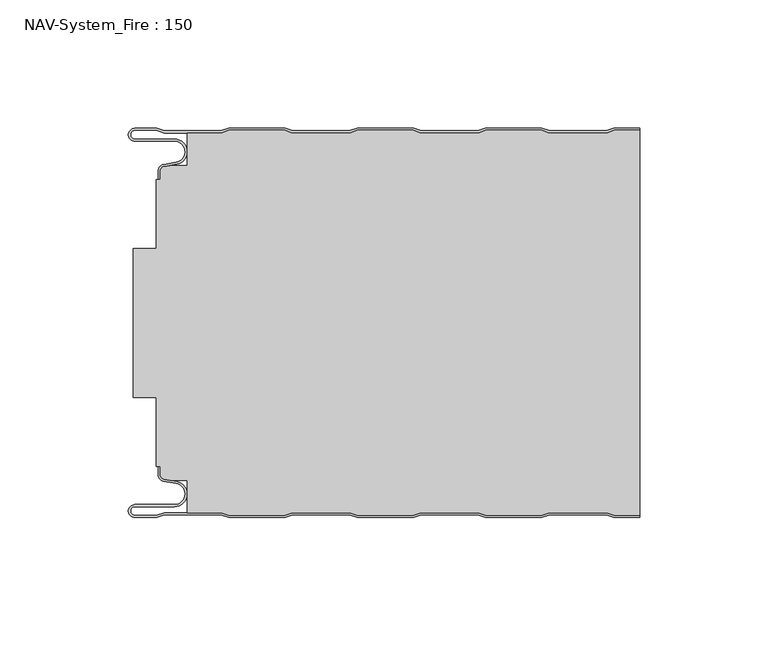
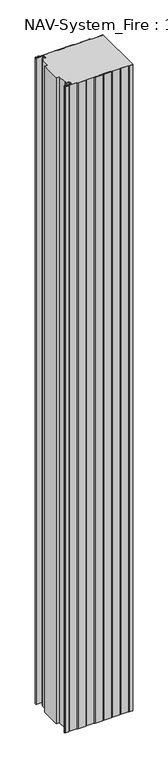
"""IFC4 building model written with IfcOpenShell, lengths in millimetres: plate geometry, NAV-System_Fire : 150."""

from ifc_helpers import new_model, si_unit, point, frame, frame_2d, origin, origin_with_axes, place, context, project, spatial, polyline, circle_curve, trimmed, segment, composite_curve, outline, extrude, source, transform, mapped, element, save
from ifc_brep_helpers import plane_surface, cylinder_surface, revolved_surface, advanced_brep


def nav_system_fire_150_abf183b4(model_context):
    return source(origin(), model_context, "Body", "SolidModel", [
        extrude(outline(composite_curve([segment(polyline([(89.6298221, -150.8), (86.6298221, -149.8), (64.3701779, -149.8), (61.3701779, -150.8), (39.6298221, -150.8), (36.6298221, -149.8), (14.3701779, -149.8), (11.3701779, -150.8), (-10.3701779, -150.8), (-13.3701779, -149.8), (-35.6298221, -149.8), (-38.6298221, -150.8), (-60.3701779, -150.8), (-63.3701779, -149.8), (-76.6602086, -149.8), (-76.6602086, -137.1656781), (-83.1774762, -137.1656781), (-85.6125665, -136.7363058)]), True, "CONTINUOUS"), segment(trimmed(circle_curve(frame_2d((-85.2999995, -134.963651)), 1.8000009), [point((-85.6125665, -136.7363058))], [point((-87.1000004, -134.963651))], False, "CARTESIAN"), True, "CONTINUOUS"), segment(polyline([(-87.1000004, -134.963651), (-87.1000004, -131.6488001), (-88.6500495, -131.6488001), (-88.6500495, -104.8), (-97.6527105, -104.8), (-97.6527105, -46.8), (-88.6502227, -46.8), (-88.6502227, -19.9512003), (-87.1000004, -19.9512003), (-87.1000004, -16.6387681)]), True, "CONTINUOUS"), segment(trimmed(circle_curve(frame_2d((-85.2999995, -16.6387681)), 1.8000009), [point((-87.1000004, -16.6387681))], [point((-85.6125665, -14.8661133))], False, "CARTESIAN"), True, "CONTINUOUS"), segment(polyline([(-85.6125665, -14.8661133), (-83.1774762, -14.436741), (-76.6602086, -14.436741), (-76.6602086, -1.8), (-63.3701779, -1.8), (-60.3701779, -0.8), (-38.6298221, -0.8), (-35.6298221, -1.8), (-13.3701779, -1.8), (-10.3701779, -0.8), (11.3701779, -0.8), (14.3701779, -1.8), (36.6298221, -1.8), (39.6298221, -0.8), (61.3701779, -0.8), (64.3701779, -1.8), (86.6298221, -1.8), (89.6298221, -0.8), (99.5, -0.8), (99.5, -150.8), (89.6298221, -150.8)]), True, "CONTINUOUS")], self_intersect=False)), origin_with_axes(), (0.0, 0.0, 1.0), 2000.0),
        advanced_brep(
        [(-88.6298221, -0.8, 0.0), (-97.0000001, -0.8, 0.0), (-97.0000001, -4.1999999, 0.0), (-81.6002086, -4.1999999, 0.0), (-80.7423864, -14.0049502, 0.0), (-85.6125665, -14.8636946, 0.0), (-87.1000004, -16.6363494, 0.0), (-87.1000014, -19.9421291, 0.0), (-87.9000014, -19.9421291, 0.0), (-87.9000014, -16.6363484, 0.0), (-85.7514853, -14.0758488, 0.0), (-80.8813015, -13.217104, 0.0), (-81.600205, -4.9999999, 0.0), (-97.0000001, -4.9999999, 0.0), (-97.0000001, 0.0, 0.0), (-88.5, 0.0, 0.0), (-85.5, -1.0, 0.0), (-63.5, -1.0, 0.0), (-60.5, 0.0, 0.0), (-38.5, 0.0, 0.0), (-35.5, -1.0, 0.0), (-13.5, -1.0, 0.0), (-10.5, 0.0, 0.0), (11.5, 0.0, 0.0), (14.5, -1.0, 0.0), (36.5, -1.0, 0.0), (39.5, 0.0, 0.0), (61.5, 0.0, 0.0), (64.5, -1.0, 0.0), (86.5, -1.0, 0.0), (89.5, 0.0, 0.0), (99.5, 0.0, 0.0), (99.5, -0.8, 0.0), (89.6298221, -0.8, 0.0), (86.6298221, -1.8, 0.0), (64.3701779, -1.8, 0.0), (61.3701779, -0.8, 0.0), (39.6298221, -0.8, 0.0), (36.6298221, -1.8, 0.0), (14.3701779, -1.8, 0.0), (11.3701779, -0.8, 0.0), (-10.3701779, -0.8, 0.0), (-13.3701779, -1.8, 0.0), (-35.6298221, -1.8, 0.0), (-38.6298221, -0.8, 0.0), (-60.3701779, -0.8, 0.0), (-63.3701779, -1.8, 0.0), (-85.6298221, -1.8, 0.0), (-88.6298221, -0.8, 2000.0), (-85.6298221, -1.8, 2000.0), (-63.3701779, -1.8, 2000.0), (-60.3701779, -0.8, 2000.0), (-38.6298221, -0.8, 2000.0), (-35.6298221, -1.8, 2000.0), (-13.3701779, -1.8, 2000.0), (-10.3701779, -0.8, 2000.0), (11.3701779, -0.8, 2000.0), (14.3701779, -1.8, 2000.0), (36.6298221, -1.8, 2000.0), (39.6298221, -0.8, 2000.0), (61.3701779, -0.8, 2000.0), (64.3701779, -1.8, 2000.0), (86.6298221, -1.8, 2000.0), (89.6298221, -0.8, 2000.0), (99.5, -0.8, 2000.0), (99.5, 0.0, 2000.0), (89.5, 0.0, 2000.0), (86.5, -1.0, 2000.0), (64.5, -1.0, 2000.0), (61.5, 0.0, 2000.0), (39.5, 0.0, 2000.0), (36.5, -1.0, 2000.0), (14.5, -1.0, 2000.0), (11.5, 0.0, 2000.0), (-10.5, 0.0, 2000.0), (-13.5, -1.0, 2000.0), (-35.5, -1.0, 2000.0), (-38.5, 0.0, 2000.0), (-60.5, 0.0, 2000.0), (-63.5, -1.0, 2000.0), (-85.5, -1.0, 2000.0), (-88.5, 0.0, 2000.0), (-97.0000001, 0.0, 2000.0), (-97.0000001, -4.9999999, 2000.0), (-81.600205, -4.9999999, 2000.0), (-80.8813015, -13.217104, 2000.0), (-85.7514853, -14.0758488, 2000.0), (-87.8999997, -16.6363484, 2000.0), (-87.9000014, -19.9421291, 2000.0), (-87.1000014, -19.9421291, 2000.0), (-87.1000014, -16.6363494, 2000.0), (-85.6125665, -14.8636946, 2000.0), (-80.7423864, -14.0049502, 2000.0), (-81.6002086, -4.1999999, 2000.0), (-97.0000001, -4.1999999, 2000.0), (-97.0000001, -0.8000002, 2000.0)],
        [
            (0, 1),
            (1, 2, circle_curve(frame((-97.0000001, -2.5, 0.0), z_axis=(0.0, 0.0, 1.0), x_axis=(1.0, 0.0, 0.0)), 1.6999999)),
            (2, 3),
            (3, 4, circle_curve(frame((-81.6002086, -9.1399999, 0.0), z_axis=(0.0, 0.0, -1.0), x_axis=(1.0, 0.0, 0.0)), 4.94)),
            (4, 5),
            (5, 6, circle_curve(frame((-85.2999995, -16.6363494, 0.0), z_axis=(0.0, 0.0, 1.0), x_axis=(1.0, 0.0, 0.0)), 1.8000009)),
            (6, 7),
            (7, 8),
            (8, 9),
            (9, 10, circle_curve(frame((-85.3000002, -16.6363484, 0.0), z_axis=(0.0, 0.0, -1.0), x_axis=(1.0, 0.0, 0.0)), 2.5999995)),
            (10, 11),
            (11, 12, circle_curve(frame((-81.600205, -9.1399999, 0.0), z_axis=(0.0, 0.0, 1.0), x_axis=(1.0, 0.0, 0.0)), 4.14)),
            (12, 13),
            (13, 14, circle_curve(frame((-97.0000001, -2.4999999, 0.0), z_axis=(0.0, 0.0, -1.0), x_axis=(1.0, 0.0, 0.0)), 2.4999999)),
            (14, 15),
            (15, 16),
            (16, 17),
            (17, 18),
            (18, 19),
            (19, 20),
            (20, 21),
            (21, 22),
            (22, 23),
            (23, 24),
            (24, 25),
            (25, 26),
            (26, 27),
            (27, 28),
            (28, 29),
            (29, 30),
            (30, 31),
            (31, 32),
            (32, 33),
            (33, 34),
            (34, 35),
            (35, 36),
            (36, 37),
            (37, 38),
            (38, 39),
            (39, 40),
            (40, 41),
            (41, 42),
            (42, 43),
            (43, 44),
            (44, 45),
            (45, 46),
            (46, 47),
            (47, 0),
            (48, 49),
            (49, 50),
            (50, 51),
            (51, 52),
            (52, 53),
            (53, 54),
            (54, 55),
            (55, 56),
            (56, 57),
            (57, 58),
            (58, 59),
            (59, 60),
            (60, 61),
            (61, 62),
            (62, 63),
            (63, 64),
            (64, 65),
            (65, 66),
            (66, 67),
            (67, 68),
            (68, 69),
            (69, 70),
            (70, 71),
            (71, 72),
            (72, 73),
            (73, 74),
            (74, 75),
            (75, 76),
            (76, 77),
            (77, 78),
            (78, 79),
            (79, 80),
            (80, 81),
            (81, 82),
            (82, 83, circle_curve(frame((-97.0000001, -2.4999999, 2000.0), z_axis=(0.0, 0.0, 1.0), x_axis=(1.0, 0.0, 0.0)), 2.4999999)),
            (83, 84),
            (84, 85, circle_curve(frame((-81.600205, -9.1399999, 2000.0), z_axis=(0.0, 0.0, -1.0), x_axis=(1.0, 0.0, 0.0)), 4.14)),
            (85, 86),
            (86, 87, circle_curve(frame((-85.3000002, -16.6363484, 2000.0), z_axis=(0.0, 0.0, 1.0), x_axis=(1.0, 0.0, 0.0)), 2.5999995)),
            (87, 88),
            (88, 89),
            (89, 90),
            (90, 91, circle_curve(frame((-85.2999995, -16.6363494, 2000.0), z_axis=(0.0, 0.0, -1.0), x_axis=(1.0, 0.0, 0.0)), 1.8000009)),
            (91, 92),
            (92, 93, circle_curve(frame((-81.6002086, -9.1399999, 2000.0), z_axis=(0.0, 0.0, 1.0), x_axis=(1.0, 0.0, 0.0)), 4.94)),
            (93, 94),
            (94, 95, circle_curve(frame((-97.0000001, -2.5, 2000.0), z_axis=(0.0, 0.0, -1.0), x_axis=(1.0, 0.0, 0.0)), 1.6999999)),
            (95, 48),
            (0, 48),
            (95, 1),
            (14, 82),
            (81, 15),
            (63, 33),
            (32, 64),
            (62, 34),
            (61, 35),
            (60, 36),
            (59, 37),
            (58, 38),
            (57, 39),
            (56, 40),
            (55, 41),
            (54, 42),
            (53, 43),
            (52, 44),
            (51, 45),
            (50, 46),
            (49, 47),
            (80, 16),
            (79, 17),
            (78, 18),
            (77, 19),
            (76, 20),
            (75, 21),
            (74, 22),
            (73, 23),
            (72, 24),
            (71, 25),
            (70, 26),
            (69, 27),
            (68, 28),
            (67, 29),
            (66, 30),
            (65, 31),
            (2, 94),
            (93, 3),
            (6, 90),
            (89, 7),
            (88, 8),
            (87, 9),
            (12, 84),
            (83, 13),
            (92, 4),
            (91, 5),
            (86, 10),
            (85, 11),
        ],
        [
            plane_surface(frame((-99.5, 0.0, 0.0), z_axis=(0.0, 0.0, -1.0), x_axis=(0.0, -1.0, 0.0))),
            plane_surface(frame((-99.5, 0.0, 2000.0), z_axis=(0.0, 0.0, 1.0), x_axis=(0.0, -1.0, 0.0))),
            plane_surface(frame((-88.6298221, -0.8, 0.0), z_axis=(0.0, -1.0, 0.0), x_axis=(0.0, 0.0, 1.0))),
            plane_surface(frame((-97.0000001, 0.0, 0.0), z_axis=(0.0, 1.0, 0.0), x_axis=(0.0, 0.0, 1.0))),
            plane_surface(frame((111.3701779, -0.8, 0.0), z_axis=(0.0, -1.0, 0.0), x_axis=(0.0, 0.0, 1.0))),
            plane_surface(frame((89.6298221, -0.8, 0.0), z_axis=(0.3162277660167413, -0.9486832980505461, 0.0), x_axis=(0.0, 0.0, 1.0))),
            plane_surface(frame((86.6298221, -1.8, 0.0), z_axis=(0.0, -1.0, 0.0), x_axis=(0.0, 0.0, 1.0))),
            plane_surface(frame((64.3701779, -1.8, 0.0), z_axis=(-0.31622776601675356, -0.948683298050542, 0.0), x_axis=(0.0, 0.0, 1.0))),
            plane_surface(frame((61.3701779, -0.8, 0.0), z_axis=(0.0, -1.0, 0.0), x_axis=(0.0, 0.0, 1.0))),
            plane_surface(frame((39.6298221, -0.8, 0.0), z_axis=(0.31622776601679226, -0.9486832980505291, 0.0), x_axis=(0.0, 0.0, 1.0))),
            plane_surface(frame((36.6298221, -1.8, 0.0), z_axis=(0.0, -1.0, 0.0), x_axis=(0.0, 0.0, 1.0))),
            plane_surface(frame((14.3701779, -1.8, 0.0), z_axis=(-0.3162277660168045, -0.948683298050525, 0.0), x_axis=(0.0, 0.0, 1.0))),
            plane_surface(frame((11.3701779, -0.8, 0.0), z_axis=(0.0, -1.0, 0.0), x_axis=(0.0, 0.0, 1.0))),
            plane_surface(frame((-10.3701779, -0.8, 0.0), z_axis=(0.31622776601679226, -0.9486832980505291, 0.0), x_axis=(0.0, 0.0, 1.0))),
            plane_surface(frame((-13.3701779, -1.8, 0.0), z_axis=(0.0, -1.0, 0.0), x_axis=(0.0, 0.0, 1.0))),
            plane_surface(frame((-35.6298221, -1.8, 0.0), z_axis=(-0.3162277660168045, -0.948683298050525, 0.0), x_axis=(0.0, 0.0, 1.0))),
            plane_surface(frame((-38.6298221, -0.8, 0.0), z_axis=(0.0, -1.0, 0.0), x_axis=(0.0, 0.0, 1.0))),
            plane_surface(frame((-60.3701779, -0.8, 0.0), z_axis=(0.3162277660167413, -0.9486832980505461, 0.0), x_axis=(0.0, 0.0, 1.0))),
            plane_surface(frame((-63.3701779, -1.8, 0.0), z_axis=(0.0, -1.0, 0.0), x_axis=(0.0, 0.0, 1.0))),
            plane_surface(frame((-85.6298221, -1.8, 0.0), z_axis=(-0.3162277660167413, -0.9486832980505461, 0.0), x_axis=(0.0, 0.0, 1.0))),
            plane_surface(frame((-88.5, 0.0, 0.0), z_axis=(0.31622776601671865, 0.9486832980505536, 0.0), x_axis=(0.0, 0.0, 1.0))),
            plane_surface(frame((-85.5, -1.0, 0.0), z_axis=(0.0, 1.0, 0.0), x_axis=(0.0, 0.0, 1.0))),
            plane_surface(frame((-63.5, -1.0, 0.0), z_axis=(-0.31622776601671865, 0.9486832980505536, 0.0), x_axis=(0.0, 0.0, 1.0))),
            plane_surface(frame((-60.5, 0.0, 0.0), z_axis=(0.0, 1.0, 0.0), x_axis=(0.0, 0.0, 1.0))),
            plane_surface(frame((-38.5, 0.0, 0.0), z_axis=(0.31622776601678754, 0.9486832980505306, 0.0), x_axis=(0.0, 0.0, 1.0))),
            plane_surface(frame((-35.5, -1.0, 0.0), z_axis=(0.0, 1.0, 0.0), x_axis=(0.0, 0.0, 1.0))),
            plane_surface(frame((-13.5, -1.0, 0.0), z_axis=(-0.3162277660167752, 0.9486832980505348, 0.0), x_axis=(0.0, 0.0, 1.0))),
            plane_surface(frame((-10.5, 0.0, 0.0), z_axis=(0.0, 1.0, 0.0), x_axis=(0.0, 0.0, 1.0))),
            plane_surface(frame((11.5, 0.0, 0.0), z_axis=(0.31622776601678754, 0.9486832980505306, 0.0), x_axis=(0.0, 0.0, 1.0))),
            plane_surface(frame((14.5, -1.0, 0.0), z_axis=(0.0, 1.0, 0.0), x_axis=(0.0, 0.0, 1.0))),
            plane_surface(frame((36.5, -1.0, 0.0), z_axis=(-0.3162277660167752, 0.9486832980505348, 0.0), x_axis=(0.0, 0.0, 1.0))),
            plane_surface(frame((39.5, 0.0, 0.0), z_axis=(0.0, 1.0, 0.0), x_axis=(0.0, 0.0, 1.0))),
            plane_surface(frame((61.5, 0.0, 0.0), z_axis=(0.3162277660167309, 0.9486832980505495, 0.0), x_axis=(0.0, 0.0, 1.0))),
            plane_surface(frame((64.5, -1.0, 0.0), z_axis=(0.0, 1.0, 0.0), x_axis=(0.0, 0.0, 1.0))),
            plane_surface(frame((86.5, -1.0, 0.0), z_axis=(-0.31622776601671865, 0.9486832980505536, 0.0), x_axis=(0.0, 0.0, 1.0))),
            plane_surface(frame((89.5, 0.0, 0.0), z_axis=(0.0, 1.0, 0.0), x_axis=(0.0, 0.0, 1.0))),
            plane_surface(frame((-97.0000001, -4.1999999, 0.0), z_axis=(0.0, 1.0, 0.0), x_axis=(0.0, 0.0, 1.0))),
            plane_surface(frame((-87.1000014, -16.6363494, 0.0), z_axis=(1.0, 0.0, 0.0), x_axis=(0.0, 0.0, 1.0))),
            plane_surface(frame((-87.1000014, -19.9421291, 0.0), z_axis=(0.0, -1.0, 0.0), x_axis=(0.0, 0.0, 1.0))),
            plane_surface(frame((-87.9000014, -19.9421291, 0.0), z_axis=(-1.0, 0.0, 0.0), x_axis=(0.0, 0.0, 1.0))),
            plane_surface(frame((-81.600205, -4.9999999, 0.0), z_axis=(0.0, -1.0, 0.0), x_axis=(0.0, 0.0, 1.0))),
            revolved_surface(polyline([(-95.3000002, -2.5, 2000.0), (-95.3000002, -2.5, 0.0)]), (-97.0000001, -2.5, 0.0), (0.0, 0.0, 1.0)),
            cylinder_surface(frame((-81.6002086, -9.1399999, 0.0), z_axis=(0.0, 0.0, -1.0), x_axis=(1.0, 0.0, 0.0)), 4.94),
            plane_surface(frame((-80.7423864, -14.0049502, 0.0), z_axis=(0.17364822279076972, -0.9848077450556567, 0.0), x_axis=(0.0, 0.0, 1.0))),
            revolved_surface(polyline([(-83.4999986, -16.6363494, 2000.0), (-83.4999986, -16.6363494, 0.0)]), (-85.2999995, -16.6363494, 0.0), (0.0, 0.0, 1.0)),
            cylinder_surface(frame((-85.3000002, -16.6363484, 0.0), z_axis=(0.0, 0.0, -1.0), x_axis=(1.0, 0.0, 0.0)), 2.5999995),
            plane_surface(frame((-85.7514853, -14.0758488, 0.0), z_axis=(-0.17364817295915452, 0.984807753842316, 0.0), x_axis=(0.0, 0.0, 1.0))),
            revolved_surface(polyline([(-77.460205, -9.1399999, 2000.0), (-77.460205, -9.1399999, 0.0)]), (-81.600205, -9.1399999, 0.0), (0.0, 0.0, 1.0)),
            cylinder_surface(frame((-97.0000001, -2.4999999, 0.0), z_axis=(0.0, 0.0, -1.0), x_axis=(1.0, 0.0, 0.0)), 2.4999999),
            plane_surface(frame((99.5, 100.0, 2000.0), z_axis=(1.0, 0.0, 0.0), x_axis=(0.0, 0.0, -1.0))),
        ],
        [
            (0, [[1, 2, 3, 4, 5, 6, 7, 8, 9, 10, 11, 12, 13, 14, 15, 16, 17, 18, 19, 20, 21, 22, 23, 24, 25, 26, 27, 28, 29, 30, 31, 32, 33, 34, 35, 36, 37, 38, 39, 40, 41, 42, 43, 44, 45, 46, 47, 48]]),
            (1, [[49, 50, 51, 52, 53, 54, 55, 56, 57, 58, 59, 60, 61, 62, 63, 64, 65, 66, 67, 68, 69, 70, 71, 72, 73, 74, 75, 76, 77, 78, 79, 80, 81, 82, 83, 84, 85, 86, 87, 88, 89, 90, 91, 92, 93, 94, 95, 96]]),
            (2, [[-1, 97, -96, 98]]),
            (3, [[-15, 99, -82, 100]]),
            (4, [[101, -33, 102, -64]]),
            (5, [[-34, -101, -63, 103]]),
            (6, [[-35, -103, -62, 104]]),
            (7, [[-36, -104, -61, 105]]),
            (8, [[-37, -105, -60, 106]]),
            (9, [[-38, -106, -59, 107]]),
            (10, [[-39, -107, -58, 108]]),
            (11, [[-40, -108, -57, 109]]),
            (12, [[-41, -109, -56, 110]]),
            (13, [[-42, -110, -55, 111]]),
            (14, [[-43, -111, -54, 112]]),
            (15, [[-44, -112, -53, 113]]),
            (16, [[-45, -113, -52, 114]]),
            (17, [[-46, -114, -51, 115]]),
            (18, [[-47, -115, -50, 116]]),
            (19, [[-48, -116, -49, -97]]),
            (20, [[-16, -100, -81, 117]]),
            (21, [[-17, -117, -80, 118]]),
            (22, [[-18, -118, -79, 119]]),
            (23, [[-19, -119, -78, 120]]),
            (24, [[-20, -120, -77, 121]]),
            (25, [[-21, -121, -76, 122]]),
            (26, [[-22, -122, -75, 123]]),
            (27, [[-23, -123, -74, 124]]),
            (28, [[-24, -124, -73, 125]]),
            (29, [[-25, -125, -72, 126]]),
            (30, [[-26, -126, -71, 127]]),
            (31, [[-27, -127, -70, 128]]),
            (32, [[-28, -128, -69, 129]]),
            (33, [[-29, -129, -68, 130]]),
            (34, [[-30, -130, -67, 131]]),
            (35, [[-131, -66, 132, -31]]),
            (36, [[-3, 133, -94, 134]]),
            (37, [[-7, 135, -90, 136]]),
            (38, [[-8, -136, -89, 137]]),
            (39, [[-9, -137, -88, 138]]),
            (40, [[-13, 139, -84, 140]]),
            (41, [[-2, -98, -95, -133]]),
            (42, [[-4, -134, -93, 141]]),
            (43, [[-5, -141, -92, 142]]),
            (44, [[-6, -142, -91, -135]]),
            (45, [[-10, -138, -87, 143]]),
            (46, [[-11, -143, -86, 144]]),
            (47, [[-12, -144, -85, -139]]),
            (48, [[-14, -140, -83, -99]]),
            (49, [[-32, -132, -65, -102]]),
        ],
    ),
        advanced_brep(
        [(-88.6298221, -150.8, 2000.0), (-97.0000001, -150.8, 2000.0), (-97.0000001, -147.4000001, 2000.0), (-81.6002086, -147.4000001, 2000.0), (-80.7423864, -137.5950498, 2000.0), (-85.6125665, -136.7363054, 2000.0), (-87.1000004, -134.9636506, 2000.0), (-87.1000014, -131.6578709, 2000.0), (-87.9000014, -131.6578709, 2000.0), (-87.9000014, -134.9636516, 2000.0), (-85.7514853, -137.5241512, 2000.0), (-80.8813015, -138.382896, 2000.0), (-81.600205, -146.6000001, 2000.0), (-97.0000001, -146.6000001, 2000.0), (-97.0000001, -151.6, 2000.0), (-88.5, -151.6, 2000.0), (-85.5, -150.6, 2000.0), (-63.5, -150.6, 2000.0), (-60.5, -151.6, 2000.0), (-38.5, -151.6, 2000.0), (-35.5, -150.6, 2000.0), (-13.5, -150.6, 2000.0), (-10.5, -151.6, 2000.0), (11.5, -151.6, 2000.0), (14.5, -150.6, 2000.0), (36.5, -150.6, 2000.0), (39.5, -151.6, 2000.0), (61.5, -151.6, 2000.0), (64.5, -150.6, 2000.0), (86.5, -150.6, 2000.0), (89.5, -151.6, 2000.0), (99.5, -151.6, 2000.0), (99.5, -150.8, 2000.0), (89.6298221, -150.8, 2000.0), (86.6298221, -149.8, 2000.0), (64.3701779, -149.8, 2000.0), (61.3701779, -150.8, 2000.0), (39.6298221, -150.8, 2000.0), (36.6298221, -149.8, 2000.0), (14.3701779, -149.8, 2000.0), (11.3701779, -150.8, 2000.0), (-10.3701779, -150.8, 2000.0), (-13.3701779, -149.8, 2000.0), (-35.6298221, -149.8, 2000.0), (-38.6298221, -150.8, 2000.0), (-60.3701779, -150.8, 2000.0), (-63.3701779, -149.8, 2000.0), (-85.6298221, -149.8, 2000.0), (-88.6298221, -150.8, 0.0), (-85.6298221, -149.8, 0.0), (-63.3701779, -149.8, 0.0), (-60.3701779, -150.8, 0.0), (-38.6298221, -150.8, 0.0), (-35.6298221, -149.8, 0.0), (-13.3701779, -149.8, 0.0), (-10.3701779, -150.8, 0.0), (11.3701779, -150.8, 0.0), (14.3701779, -149.8, 0.0), (36.6298221, -149.8, 0.0), (39.6298221, -150.8, 0.0), (61.3701779, -150.8, 0.0), (64.3701779, -149.8, 0.0), (86.6298221, -149.8, 0.0), (89.6298221, -150.8, 0.0), (99.5, -150.8, 0.0), (99.5, -151.6, 0.0), (89.5, -151.6, 0.0), (86.5, -150.6, 0.0), (64.5, -150.6, 0.0), (61.5, -151.6, 0.0), (39.5, -151.6, 0.0), (36.5, -150.6, 0.0), (14.5, -150.6, 0.0), (11.5, -151.6, 0.0), (-10.5, -151.6, 0.0), (-13.5, -150.6, 0.0), (-35.5, -150.6, 0.0), (-38.5, -151.6, 0.0), (-60.5, -151.6, 0.0), (-63.5, -150.6, 0.0), (-85.5, -150.6, 0.0), (-88.5, -151.6, 0.0), (-97.0000001, -151.6, 0.0), (-97.0000001, -146.6000001, 0.0), (-81.600205, -146.6000001, 0.0), (-80.8813015, -138.382896, 0.0), (-85.7514853, -137.5241512, 0.0), (-87.8999997, -134.9636516, 0.0), (-87.9000014, -131.6578709, 0.0), (-87.1000014, -131.6578709, 0.0), (-87.1000014, -134.9636506, 0.0), (-85.6125665, -136.7363054, 0.0), (-80.7423864, -137.5950498, 0.0), (-81.6002086, -147.4000001, 0.0), (-97.0000001, -147.4000001, 0.0), (-97.0000001, -150.7999998, 0.0)],
        [
            (0, 1),
            (1, 2, circle_curve(frame((-97.0000001, -149.1, 2000.0), z_axis=(0.0, 0.0, -1.0), x_axis=(1.0, 0.0, 0.0)), 1.6999999)),
            (2, 3),
            (3, 4, circle_curve(frame((-81.6002086, -142.4600001, 2000.0), z_axis=(0.0, 0.0, 1.0), x_axis=(1.0, 0.0, 0.0)), 4.94)),
            (4, 5),
            (5, 6, circle_curve(frame((-85.2999995, -134.9636506, 2000.0), z_axis=(0.0, 0.0, -1.0), x_axis=(1.0, 0.0, 0.0)), 1.8000009)),
            (6, 7),
            (7, 8),
            (8, 9),
            (9, 10, circle_curve(frame((-85.3000002, -134.9636516, 2000.0), z_axis=(0.0, 0.0, 1.0), x_axis=(1.0, 0.0, 0.0)), 2.5999995)),
            (10, 11),
            (11, 12, circle_curve(frame((-81.600205, -142.4600001, 2000.0), z_axis=(0.0, 0.0, -1.0), x_axis=(1.0, 0.0, 0.0)), 4.14)),
            (12, 13),
            (13, 14, circle_curve(frame((-97.0000001, -149.1000001, 2000.0), z_axis=(0.0, 0.0, 1.0), x_axis=(1.0, 0.0, 0.0)), 2.4999999)),
            (14, 15),
            (15, 16),
            (16, 17),
            (17, 18),
            (18, 19),
            (19, 20),
            (20, 21),
            (21, 22),
            (22, 23),
            (23, 24),
            (24, 25),
            (25, 26),
            (26, 27),
            (27, 28),
            (28, 29),
            (29, 30),
            (30, 31),
            (31, 32),
            (32, 33),
            (33, 34),
            (34, 35),
            (35, 36),
            (36, 37),
            (37, 38),
            (38, 39),
            (39, 40),
            (40, 41),
            (41, 42),
            (42, 43),
            (43, 44),
            (44, 45),
            (45, 46),
            (46, 47),
            (47, 0),
            (48, 49),
            (49, 50),
            (50, 51),
            (51, 52),
            (52, 53),
            (53, 54),
            (54, 55),
            (55, 56),
            (56, 57),
            (57, 58),
            (58, 59),
            (59, 60),
            (60, 61),
            (61, 62),
            (62, 63),
            (63, 64),
            (64, 65),
            (65, 66),
            (66, 67),
            (67, 68),
            (68, 69),
            (69, 70),
            (70, 71),
            (71, 72),
            (72, 73),
            (73, 74),
            (74, 75),
            (75, 76),
            (76, 77),
            (77, 78),
            (78, 79),
            (79, 80),
            (80, 81),
            (81, 82),
            (82, 83, circle_curve(frame((-97.0000001, -149.1000001, 0.0), z_axis=(0.0, 0.0, -1.0), x_axis=(1.0, 0.0, 0.0)), 2.4999999)),
            (83, 84),
            (84, 85, circle_curve(frame((-81.600205, -142.4600001, 0.0), z_axis=(0.0, 0.0, 1.0), x_axis=(1.0, 0.0, 0.0)), 4.14)),
            (85, 86),
            (86, 87, circle_curve(frame((-85.3000002, -134.9636516, 0.0), z_axis=(0.0, 0.0, -1.0), x_axis=(1.0, 0.0, 0.0)), 2.5999995)),
            (87, 88),
            (88, 89),
            (89, 90),
            (90, 91, circle_curve(frame((-85.2999995, -134.9636506, 0.0), z_axis=(0.0, 0.0, 1.0), x_axis=(1.0, 0.0, 0.0)), 1.8000009)),
            (91, 92),
            (92, 93, circle_curve(frame((-81.6002086, -142.4600001, 0.0), z_axis=(0.0, 0.0, -1.0), x_axis=(1.0, 0.0, 0.0)), 4.94)),
            (93, 94),
            (94, 95, circle_curve(frame((-97.0000001, -149.1, 0.0), z_axis=(0.0, 0.0, 1.0), x_axis=(1.0, 0.0, 0.0)), 1.6999999)),
            (95, 48),
            (14, 82),
            (81, 15),
            (0, 48),
            (95, 1),
            (63, 33),
            (32, 64),
            (62, 34),
            (61, 35),
            (60, 36),
            (59, 37),
            (58, 38),
            (57, 39),
            (56, 40),
            (55, 41),
            (54, 42),
            (53, 43),
            (52, 44),
            (51, 45),
            (50, 46),
            (49, 47),
            (80, 16),
            (79, 17),
            (78, 18),
            (77, 19),
            (76, 20),
            (75, 21),
            (74, 22),
            (73, 23),
            (72, 24),
            (71, 25),
            (70, 26),
            (69, 27),
            (68, 28),
            (67, 29),
            (66, 30),
            (65, 31),
            (2, 94),
            (93, 3),
            (6, 90),
            (89, 7),
            (88, 8),
            (87, 9),
            (12, 84),
            (83, 13),
            (92, 4),
            (91, 5),
            (86, 10),
            (85, 11),
        ],
        [
            plane_surface(frame((-99.5, -151.6, 2000.0), z_axis=(0.0, 0.0, 1.0), x_axis=(-1.0, 0.0, 0.0))),
            plane_surface(frame((-99.5, -151.6, 0.0), z_axis=(0.0, 0.0, -1.0), x_axis=(-1.0, 0.0, 0.0))),
            plane_surface(frame((-97.0000001, -151.6, 2000.0), z_axis=(0.0, -1.0, 0.0), x_axis=(0.0, 0.0, -1.0))),
            plane_surface(frame((-88.6298221, -150.8, 2000.0), z_axis=(0.0, 1.0, 0.0), x_axis=(0.0, 0.0, -1.0))),
            plane_surface(frame((111.3701779, -150.8, 2000.0), z_axis=(0.0, 1.0, 0.0), x_axis=(0.0, 0.0, -1.0))),
            plane_surface(frame((89.6298221, -150.8, 2000.0), z_axis=(0.3162277660167412, 0.9486832980505461, 0.0), x_axis=(0.0, 0.0, -1.0))),
            plane_surface(frame((86.6298221, -149.8, 2000.0), z_axis=(0.0, 1.0, 0.0), x_axis=(0.0, 0.0, -1.0))),
            plane_surface(frame((64.3701779, -149.8, 2000.0), z_axis=(-0.3162277660167537, 0.948683298050542, 0.0), x_axis=(0.0, 0.0, -1.0))),
            plane_surface(frame((61.3701779, -150.8, 2000.0), z_axis=(0.0, 1.0, 0.0), x_axis=(0.0, 0.0, -1.0))),
            plane_surface(frame((39.6298221, -150.8, 2000.0), z_axis=(0.31622776601679214, 0.9486832980505291, 0.0), x_axis=(0.0, 0.0, -1.0))),
            plane_surface(frame((36.6298221, -149.8, 2000.0), z_axis=(0.0, 1.0, 0.0), x_axis=(0.0, 0.0, -1.0))),
            plane_surface(frame((14.3701779, -149.8, 2000.0), z_axis=(-0.31622776601680463, 0.948683298050525, 0.0), x_axis=(0.0, 0.0, -1.0))),
            plane_surface(frame((11.3701779, -150.8, 2000.0), z_axis=(0.0, 1.0, 0.0), x_axis=(0.0, 0.0, -1.0))),
            plane_surface(frame((-10.3701779, -150.8, 2000.0), z_axis=(0.31622776601679214, 0.9486832980505291, 0.0), x_axis=(0.0, 0.0, -1.0))),
            plane_surface(frame((-13.3701779, -149.8, 2000.0), z_axis=(0.0, 1.0, 0.0), x_axis=(0.0, 0.0, -1.0))),
            plane_surface(frame((-35.6298221, -149.8, 2000.0), z_axis=(-0.31622776601680463, 0.948683298050525, 0.0), x_axis=(0.0, 0.0, -1.0))),
            plane_surface(frame((-38.6298221, -150.8, 2000.0), z_axis=(0.0, 1.0, 0.0), x_axis=(0.0, 0.0, -1.0))),
            plane_surface(frame((-60.3701779, -150.8, 2000.0), z_axis=(0.3162277660167412, 0.9486832980505461, 0.0), x_axis=(0.0, 0.0, -1.0))),
            plane_surface(frame((-63.3701779, -149.8, 2000.0), z_axis=(0.0, 1.0, 0.0), x_axis=(0.0, 0.0, -1.0))),
            plane_surface(frame((-85.6298221, -149.8, 2000.0), z_axis=(-0.3162277660167414, 0.9486832980505461, 0.0), x_axis=(0.0, 0.0, -1.0))),
            plane_surface(frame((-88.5, -151.6, 2000.0), z_axis=(0.31622776601671876, -0.9486832980505536, 0.0), x_axis=(0.0, 0.0, -1.0))),
            plane_surface(frame((-85.5, -150.6, 2000.0), z_axis=(0.0, -1.0, 0.0), x_axis=(0.0, 0.0, -1.0))),
            plane_surface(frame((-63.5, -150.6, 2000.0), z_axis=(-0.31622776601671854, -0.9486832980505536, 0.0), x_axis=(0.0, 0.0, -1.0))),
            plane_surface(frame((-60.5, -151.6, 2000.0), z_axis=(0.0, -1.0, 0.0), x_axis=(0.0, 0.0, -1.0))),
            plane_surface(frame((-38.5, -151.6, 2000.0), z_axis=(0.31622776601678765, -0.9486832980505306, 0.0), x_axis=(0.0, 0.0, -1.0))),
            plane_surface(frame((-35.5, -150.6, 2000.0), z_axis=(0.0, -1.0, 0.0), x_axis=(0.0, 0.0, -1.0))),
            plane_surface(frame((-13.5, -150.6, 2000.0), z_axis=(-0.3162277660167751, -0.9486832980505348, 0.0), x_axis=(0.0, 0.0, -1.0))),
            plane_surface(frame((-10.5, -151.6, 2000.0), z_axis=(0.0, -1.0, 0.0), x_axis=(0.0, 0.0, -1.0))),
            plane_surface(frame((11.5, -151.6, 2000.0), z_axis=(0.31622776601678765, -0.9486832980505306, 0.0), x_axis=(0.0, 0.0, -1.0))),
            plane_surface(frame((14.5, -150.6, 2000.0), z_axis=(0.0, -1.0, 0.0), x_axis=(0.0, 0.0, -1.0))),
            plane_surface(frame((36.5, -150.6, 2000.0), z_axis=(-0.3162277660167751, -0.9486832980505348, 0.0), x_axis=(0.0, 0.0, -1.0))),
            plane_surface(frame((39.5, -151.6, 2000.0), z_axis=(0.0, -1.0, 0.0), x_axis=(0.0, 0.0, -1.0))),
            plane_surface(frame((61.5, -151.6, 2000.0), z_axis=(0.316227766016731, -0.9486832980505495, 0.0), x_axis=(0.0, 0.0, -1.0))),
            plane_surface(frame((64.5, -150.6, 2000.0), z_axis=(0.0, -1.0, 0.0), x_axis=(0.0, 0.0, -1.0))),
            plane_surface(frame((86.5, -150.6, 2000.0), z_axis=(-0.31622776601671854, -0.9486832980505536, 0.0), x_axis=(0.0, 0.0, -1.0))),
            plane_surface(frame((89.5, -151.6, 2000.0), z_axis=(0.0, -1.0, 0.0), x_axis=(0.0, 0.0, -1.0))),
            plane_surface(frame((-97.0000001, -147.4000001, 2000.0), z_axis=(0.0, -1.0, 0.0), x_axis=(0.0, 0.0, -1.0))),
            plane_surface(frame((-87.1000014, -134.9636506, 2000.0), z_axis=(1.0, 0.0, 0.0), x_axis=(0.0, 0.0, -1.0))),
            plane_surface(frame((-87.1000014, -131.6578709, 2000.0), z_axis=(0.0, 1.0, 0.0), x_axis=(0.0, 0.0, -1.0))),
            plane_surface(frame((-87.9000014, -131.6578709, 2000.0), z_axis=(-1.0, 0.0, 0.0), x_axis=(0.0, 0.0, -1.0))),
            plane_surface(frame((-81.600205, -146.6000001, 2000.0), z_axis=(0.0, 1.0, 0.0), x_axis=(0.0, 0.0, -1.0))),
            revolved_surface(polyline([(-95.3000002, -149.1, 0.0), (-95.3000002, -149.1, 2000.0)]), (-97.0000001, -149.1, 2000.0), (0.0, 0.0, -1.0)),
            cylinder_surface(frame((-81.6002086, -142.4600001, 2000.0), z_axis=(0.0, 0.0, 1.0), x_axis=(1.0, 0.0, 0.0)), 4.94),
            plane_surface(frame((-80.7423864, -137.5950498, 2000.0), z_axis=(0.17364822279076958, 0.9848077450556567, 0.0), x_axis=(0.0, 0.0, -1.0))),
            revolved_surface(polyline([(-83.4999986, -134.9636506, 0.0), (-83.4999986, -134.9636506, 2000.0)]), (-85.2999995, -134.9636506, 2000.0), (0.0, 0.0, -1.0)),
            cylinder_surface(frame((-85.3000002, -134.9636516, 2000.0), z_axis=(0.0, 0.0, 1.0), x_axis=(1.0, 0.0, 0.0)), 2.5999995),
            plane_surface(frame((-85.7514853, -137.5241512, 2000.0), z_axis=(-0.17364817295915438, -0.984807753842316, 0.0), x_axis=(0.0, 0.0, -1.0))),
            revolved_surface(polyline([(-77.460205, -142.4600001, 0.0), (-77.460205, -142.4600001, 2000.0)]), (-81.600205, -142.4600001, 2000.0), (0.0, 0.0, -1.0)),
            cylinder_surface(frame((-97.0000001, -149.1000001, 2000.0), z_axis=(0.0, 0.0, 1.0), x_axis=(1.0, 0.0, 0.0)), 2.4999999),
            plane_surface(frame((99.5, 100.0, 2000.0), z_axis=(1.0, 0.0, 0.0), x_axis=(0.0, 0.0, -1.0))),
        ],
        [
            (0, [[1, 2, 3, 4, 5, 6, 7, 8, 9, 10, 11, 12, 13, 14, 15, 16, 17, 18, 19, 20, 21, 22, 23, 24, 25, 26, 27, 28, 29, 30, 31, 32, 33, 34, 35, 36, 37, 38, 39, 40, 41, 42, 43, 44, 45, 46, 47, 48]]),
            (1, [[49, 50, 51, 52, 53, 54, 55, 56, 57, 58, 59, 60, 61, 62, 63, 64, 65, 66, 67, 68, 69, 70, 71, 72, 73, 74, 75, 76, 77, 78, 79, 80, 81, 82, 83, 84, 85, 86, 87, 88, 89, 90, 91, 92, 93, 94, 95, 96]]),
            (2, [[-15, 97, -82, 98]]),
            (3, [[-1, 99, -96, 100]]),
            (4, [[101, -33, 102, -64]]),
            (5, [[-34, -101, -63, 103]]),
            (6, [[-35, -103, -62, 104]]),
            (7, [[-36, -104, -61, 105]]),
            (8, [[-37, -105, -60, 106]]),
            (9, [[-38, -106, -59, 107]]),
            (10, [[-39, -107, -58, 108]]),
            (11, [[-40, -108, -57, 109]]),
            (12, [[-41, -109, -56, 110]]),
            (13, [[-42, -110, -55, 111]]),
            (14, [[-43, -111, -54, 112]]),
            (15, [[-44, -112, -53, 113]]),
            (16, [[-45, -113, -52, 114]]),
            (17, [[-46, -114, -51, 115]]),
            (18, [[-47, -115, -50, 116]]),
            (19, [[-48, -116, -49, -99]]),
            (20, [[-16, -98, -81, 117]]),
            (21, [[-17, -117, -80, 118]]),
            (22, [[-18, -118, -79, 119]]),
            (23, [[-19, -119, -78, 120]]),
            (24, [[-20, -120, -77, 121]]),
            (25, [[-21, -121, -76, 122]]),
            (26, [[-22, -122, -75, 123]]),
            (27, [[-23, -123, -74, 124]]),
            (28, [[-24, -124, -73, 125]]),
            (29, [[-25, -125, -72, 126]]),
            (30, [[-26, -126, -71, 127]]),
            (31, [[-27, -127, -70, 128]]),
            (32, [[-28, -128, -69, 129]]),
            (33, [[-29, -129, -68, 130]]),
            (34, [[-30, -130, -67, 131]]),
            (35, [[-131, -66, 132, -31]]),
            (36, [[-3, 133, -94, 134]]),
            (37, [[-7, 135, -90, 136]]),
            (38, [[-8, -136, -89, 137]]),
            (39, [[-9, -137, -88, 138]]),
            (40, [[-13, 139, -84, 140]]),
            (41, [[-2, -100, -95, -133]]),
            (42, [[-4, -134, -93, 141]]),
            (43, [[-5, -141, -92, 142]]),
            (44, [[-6, -142, -91, -135]]),
            (45, [[-10, -138, -87, 143]]),
            (46, [[-11, -143, -86, 144]]),
            (47, [[-12, -144, -85, -139]]),
            (48, [[-14, -140, -83, -97]]),
            (49, [[-32, -132, -65, -102]]),
        ],
    ),
    ])


if __name__ == "__main__":
    model = new_model("IFC4")
    model_context = context("Model", 3, world=origin())
    ifc_project = project(units=[si_unit("LENGTHUNIT", "METRE", prefix="MILLI")], contexts=[model_context])
    site = spatial("IfcSite", under=ifc_project)
    building = spatial("IfcBuilding", under=site)
    placement = place(None, origin())
    nav_system_fire_150_shape = nav_system_fire_150_abf183b4(model_context)
    element("IfcPlate", 1, ObjectType="NAV-System_Fire : 150", at=placement, inside=building, context=model_context, shape_type="MappedRepresentation", body=[
        mapped(nav_system_fire_150_shape, transform((0.0, 0.0, 0.0), x_axis=(1.0, 0.0, 0.0), y_axis=(0.0, 1.0, 0.0), z_axis=(0.0, 0.0, 1.0))),
    ])
    save(model, "model.ifc")
